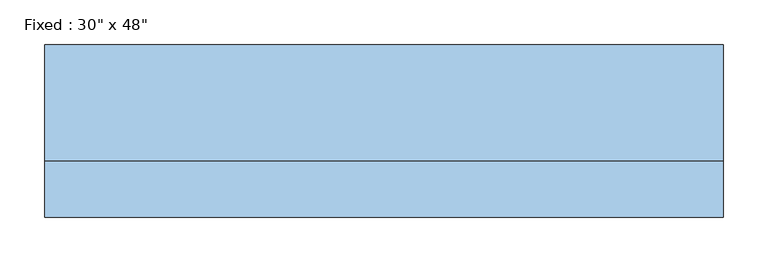
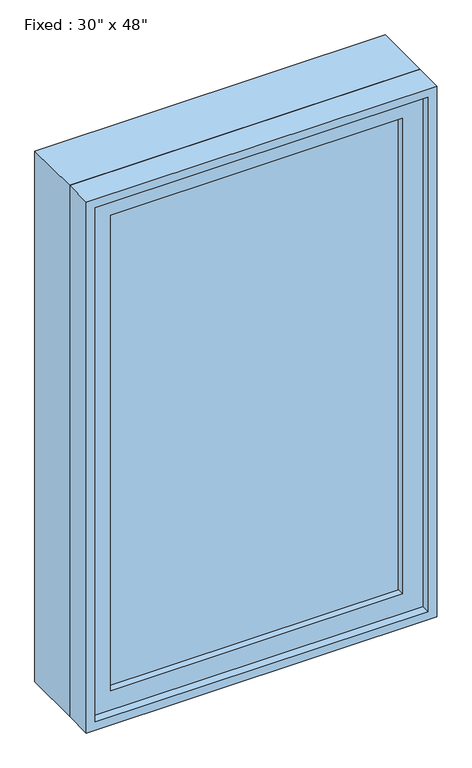
"""IFC4 building model written with IfcOpenShell, lengths in millimetres: window geometry."""

from ifc_helpers import new_model, si_unit, frame, origin, place, context, project, spatial, polyline, outline, extrude, source, transform, mapped, element, save


def window_d2ff848f(model_context):
    return source(origin(), model_context, "Body", "SweptSolid", [
        extrude(outline(polyline([(279.4, -49.2125), (279.4, -61.9125), (-355.6, -61.9125), (-355.6, -49.2125), (279.4, -49.2125)])), frame((0.0, 0.0, 977.9), z_axis=(0.0, 0.0, 1.0), x_axis=(1.0, 0.0, 0.0)), (0.0, 0.0, 1.0), 1092.2),
        extrude(outline(polyline([(2114.55, -400.05), (933.45, -400.05), (933.45, 323.85), (2114.55, 323.85), (2114.55, -400.05)]), holes=[polyline([(2070.1, -355.6), (2070.1, 279.4), (977.9, 279.4), (977.9, -355.6), (2070.1, -355.6)])]), frame((0.0, -77.7875, 0.0), z_axis=(0.0, 1.0, 0.0), x_axis=(0.0, 0.0, 1.0)), (0.0, 0.0, 1.0), 44.45),
        extrude(outline(polyline([(2133.6, -419.1), (914.4, -419.1), (914.4, 342.9), (2133.6, 342.9), (2133.6, -419.1)]), holes=[polyline([(2101.85, -387.35), (2101.85, 311.15), (946.15, 311.15), (946.15, -387.35), (2101.85, -387.35)])]), frame((0.0, -33.3375, 0.0), z_axis=(0.0, 1.0, 0.0), x_axis=(0.0, 0.0, 1.0)), (0.0, 0.0, 1.0), 130.175),
        extrude(outline(polyline([(2133.6, 342.9), (2133.6, -419.1), (914.4, -419.1), (914.4, 342.9), (2133.6, 342.9)]), holes=[polyline([(2114.55, 323.85), (933.45, 323.85), (933.45, -400.05), (2114.55, -400.05), (2114.55, 323.85)])]), frame((0.0, -96.8375, 0.0), z_axis=(0.0, 1.0, 0.0), x_axis=(0.0, 0.0, 1.0)), (0.0, 0.0, 1.0), 63.5),
    ])


if __name__ == "__main__":
    model = new_model("IFC4")
    model_context = context("Model", 3, world=origin())
    ifc_project = project(units=[si_unit("LENGTHUNIT", "METRE", prefix="MILLI")], contexts=[model_context])
    site = spatial("IfcSite", under=ifc_project)
    building = spatial("IfcBuilding", under=site)
    placement = place(None, origin())
    window_shape = window_d2ff848f(model_context)
    element("IfcWindow", 1, ObjectType="Fixed : 30\" x 48\"", at=placement, inside=building, context=model_context, shape_type="MappedRepresentation", body=[
        mapped(window_shape, transform((0.0, 0.0, 0.0), x_axis=(1.0, 0.0, 0.0), y_axis=(0.0, 1.0, 0.0), z_axis=(0.0, 0.0, 1.0))),
    ])
    save(model, "model.ifc")
